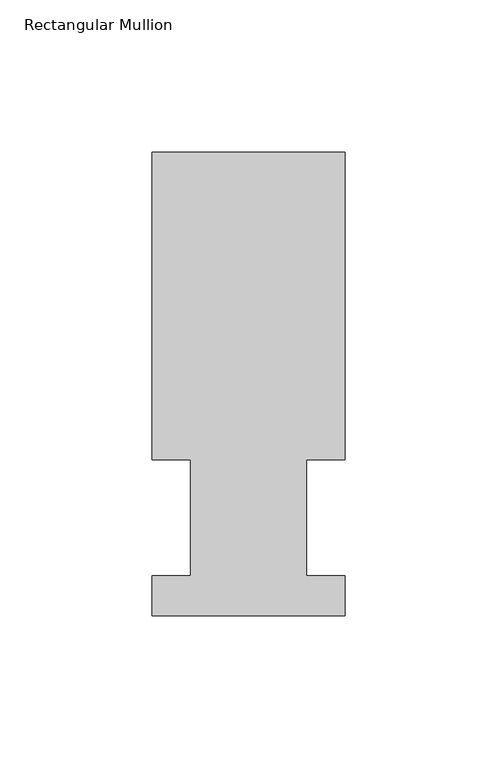
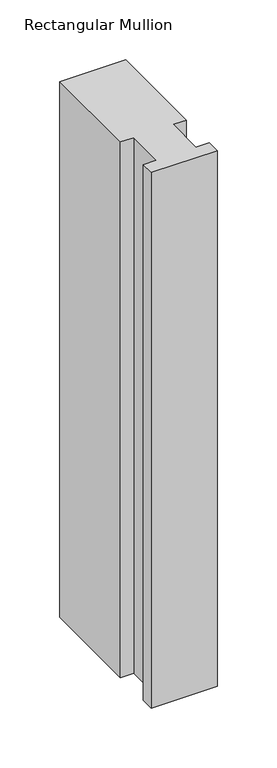
"""IFC4 building model written with IfcOpenShell, lengths in millimetres: member geometry, Rectangular Mullion."""

from ifc_helpers import new_model, si_unit, frame, origin, place, context, project, spatial, polyline, outline, extrude, source, transform, mapped, element, save


def rectangular_mullion_acc609e9(model_context):
    return source(origin(), model_context, "Body", "SweptSolid", [
        extrude(outline(polyline([(-63.5, 152.4896937), (-3e-07, 152.4831645), (-0.0104046, 51.2960937), (-12.6977047, 51.2960937), (-12.7016222, 13.1960938), (-0.0143221, 13.1960938), (-0.0156783, 0.0069653), (-63.5156779, 0.0134946), (-63.5143225, 13.1960938), (-50.8143224, 13.1960938), (-50.8104049, 51.2960937), (-63.510405, 51.2960937), (-63.5, 152.4896937)])), frame((0.0, 0.0, -546.1), z_axis=(0.0, 0.0, 1.0), x_axis=(1.0, 0.0, 0.0)), (0.0, 0.0, 1.0), 546.1),
    ])


if __name__ == "__main__":
    model = new_model("IFC4")
    model_context = context("Model", 3, world=origin())
    ifc_project = project(units=[si_unit("LENGTHUNIT", "METRE", prefix="MILLI")], contexts=[model_context])
    site = spatial("IfcSite", under=ifc_project)
    building = spatial("IfcBuilding", under=site)
    placement = place(None, origin())
    rectangular_mullion_shape = rectangular_mullion_acc609e9(model_context)
    element("IfcMember", 1, ObjectType="Rectangular Mullion", at=placement, inside=building, context=model_context, shape_type="MappedRepresentation", body=[
        mapped(rectangular_mullion_shape, transform((0.0, 0.0, 0.0), x_axis=(1.0, 0.0, 0.0), y_axis=(0.0, 1.0, 0.0), z_axis=(0.0, 0.0, 1.0))),
    ])
    save(model, "model.ifc")
